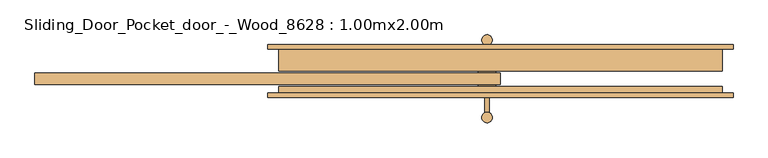
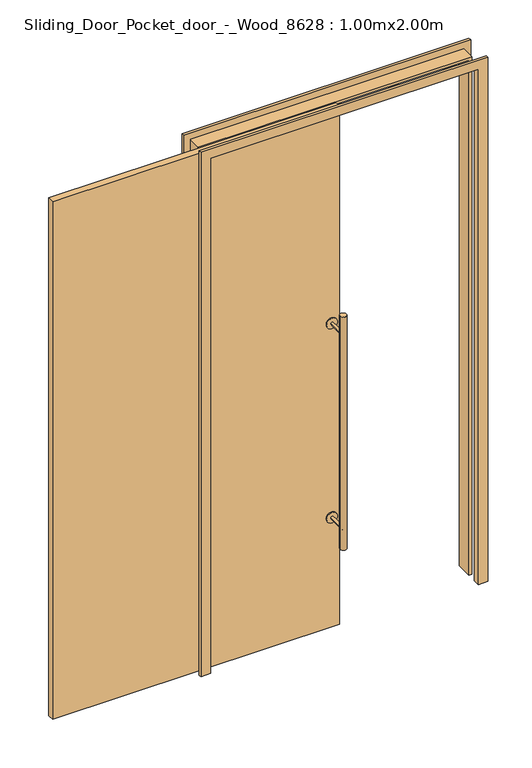
"""IFC4 building model written with IfcOpenShell, lengths in millimetres: door geometry, Sliding_Door_Pocket_door_-_Wood_8628 : 1.00mx2.00m."""

from ifc_helpers import new_model, si_unit, point, frame, frame_2d, origin, origin_with_axes, place, context, project, spatial, polyline, circle_curve, trimmed, segment, composite_curve, outline, extrude, faceted_brep, source, transform, mapped, element, save


def sliding_door_pocket_door_wood_8628_1_00mx2_00m_de56212b(model_context):
    return source(origin(), model_context, "Body", "SolidModel", [
        extrude(outline(composite_curve([segment(trimmed(circle_curve(frame_2d((-50.0, 84.2718247)), 12.0), [point((-62.0, 84.2718247))], [point((-38.0, 84.2718247))], False, "CARTESIAN"), True, "CONTINUOUS"), segment(trimmed(circle_curve(frame_2d((-50.0, 84.2718247)), 12.0), [point((-38.0, 84.2718247))], [point((-62.0, 84.2718247))], False, "CARTESIAN"), True, "CONTINUOUS")], self_intersect=False)), frame((0.0, 0.0, 350.0), z_axis=(0.0, 0.0, 1.0), x_axis=(1.0, 0.0, 0.0)), (0.0, 0.0, 1.0), 900.0),
        extrude(outline(composite_curve([segment(trimmed(circle_curve(frame_2d((1175.0, -50.0)), 5.0), [point((1175.0, -45.0))], [point((1175.0, -55.0))], False, "CARTESIAN"), True, "CONTINUOUS"), segment(trimmed(circle_curve(frame_2d((1175.0, -50.0)), 5.0), [point((1175.0, -55.0))], [point((1175.0, -45.0))], False, "CARTESIAN"), True, "CONTINUOUS")], self_intersect=False)), frame((0.0, 13.2718247, 0.0), z_axis=(0.0, 1.0, 0.0), x_axis=(0.0, 0.0, 1.0)), (0.0, 0.0, 1.0), 71.0),
        extrude(outline(composite_curve([segment(trimmed(circle_curve(frame_2d((425.0, -50.0)), 5.0), [point((425.0, -45.0))], [point((425.0, -55.0))], False, "CARTESIAN"), True, "CONTINUOUS"), segment(trimmed(circle_curve(frame_2d((425.0, -50.0)), 5.0), [point((425.0, -55.0))], [point((425.0, -45.0))], False, "CARTESIAN"), True, "CONTINUOUS")], self_intersect=False)), frame((0.0, 13.2718247, 0.0), z_axis=(0.0, 1.0, 0.0), x_axis=(0.0, 0.0, 1.0)), (0.0, 0.0, 1.0), 71.0),
        extrude(outline(composite_curve([segment(trimmed(circle_curve(frame_2d((1175.0, -50.0)), 20.0), [point((1175.0, -70.0))], [point((1175.0, -30.0))], False, "CARTESIAN"), True, "CONTINUOUS"), segment(trimmed(circle_curve(frame_2d((1175.0, -50.0)), 20.0), [point((1175.0, -30.0))], [point((1175.0, -70.0))], False, "CARTESIAN"), True, "CONTINUOUS")], self_intersect=False)), frame((0.0, 9.2718247, 0.0), z_axis=(0.0, 1.0, 0.0), x_axis=(0.0, 0.0, 1.0)), (0.0, 0.0, 1.0), 4.0),
        extrude(outline(composite_curve([segment(trimmed(circle_curve(frame_2d((425.0, -50.0)), 20.0), [point((425.0, -70.0))], [point((425.0, -30.0))], False, "CARTESIAN"), True, "CONTINUOUS"), segment(trimmed(circle_curve(frame_2d((425.0, -50.0)), 20.0), [point((425.0, -30.0))], [point((425.0, -70.0))], False, "CARTESIAN"), True, "CONTINUOUS")], self_intersect=False)), frame((0.0, 9.2718247, 0.0), z_axis=(0.0, 1.0, 0.0), x_axis=(0.0, 0.0, 1.0)), (0.0, 0.0, 1.0), 4.0),
        extrude(outline(composite_curve([segment(trimmed(circle_curve(frame_2d((-50.0, -90.7281753)), 12.0), [point((-62.0, -90.7281753))], [point((-38.0, -90.7281753))], False, "CARTESIAN"), True, "CONTINUOUS"), segment(trimmed(circle_curve(frame_2d((-50.0, -90.7281753)), 12.0), [point((-38.0, -90.7281753))], [point((-62.0, -90.7281753))], False, "CARTESIAN"), True, "CONTINUOUS")], self_intersect=False)), frame((0.0, 0.0, 350.0), z_axis=(0.0, 0.0, 1.0), x_axis=(1.0, 0.0, 0.0)), (0.0, 0.0, 1.0), 900.0),
        extrude(outline(composite_curve([segment(trimmed(circle_curve(frame_2d((1175.0, -50.0)), 5.0), [point((1175.0, -45.0))], [point((1175.0, -55.0))], False, "CARTESIAN"), True, "CONTINUOUS"), segment(trimmed(circle_curve(frame_2d((1175.0, -50.0)), 5.0), [point((1175.0, -55.0))], [point((1175.0, -45.0))], False, "CARTESIAN"), True, "CONTINUOUS")], self_intersect=False)), frame((0.0, -90.7281753, 0.0), z_axis=(0.0, 1.0, 0.0), x_axis=(0.0, 0.0, 1.0)), (0.0, 0.0, 1.0), 71.0),
        extrude(outline(composite_curve([segment(trimmed(circle_curve(frame_2d((425.0, -50.0)), 5.0), [point((425.0, -45.0))], [point((425.0, -55.0))], False, "CARTESIAN"), True, "CONTINUOUS"), segment(trimmed(circle_curve(frame_2d((425.0, -50.0)), 5.0), [point((425.0, -55.0))], [point((425.0, -45.0))], False, "CARTESIAN"), True, "CONTINUOUS")], self_intersect=False)), frame((0.0, -90.7281753, 0.0), z_axis=(0.0, 1.0, 0.0), x_axis=(0.0, 0.0, 1.0)), (0.0, 0.0, 1.0), 71.0),
        extrude(outline(composite_curve([segment(trimmed(circle_curve(frame_2d((1175.0, -50.0)), 20.0), [point((1175.0, -70.0))], [point((1175.0, -30.0))], False, "CARTESIAN"), True, "CONTINUOUS"), segment(trimmed(circle_curve(frame_2d((1175.0, -50.0)), 20.0), [point((1175.0, -30.0))], [point((1175.0, -70.0))], False, "CARTESIAN"), True, "CONTINUOUS")], self_intersect=False)), frame((0.0, -19.7281753, 0.0), z_axis=(0.0, 1.0, 0.0), x_axis=(0.0, 0.0, 1.0)), (0.0, 0.0, 1.0), 4.0),
        extrude(outline(composite_curve([segment(trimmed(circle_curve(frame_2d((425.0, -50.0)), 20.0), [point((425.0, -70.0))], [point((425.0, -30.0))], False, "CARTESIAN"), True, "CONTINUOUS"), segment(trimmed(circle_curve(frame_2d((425.0, -50.0)), 20.0), [point((425.0, -30.0))], [point((425.0, -70.0))], False, "CARTESIAN"), True, "CONTINUOUS")], self_intersect=False)), frame((0.0, -19.7281753, 0.0), z_axis=(0.0, 1.0, 0.0), x_axis=(0.0, 0.0, 1.0)), (0.0, 0.0, 1.0), 4.0),
        extrude(outline(polyline([(-20.0, 9.2718247), (-20.0, -15.7281753), (-1070.0, -15.7281753), (-1070.0, 9.2718247), (-20.0, 9.2718247)])), origin_with_axes(), (0.0, 0.0, 1.0), 2000.0),
        faceted_brep([(480.0, 14.2718247, 0.0), (470.0, 14.2718247, 0.0), (470.0, 74.2718247, 0.0), (505.0, 74.2718247, 0.0), (505.0, 64.2718247, 0.0), (480.0, 64.2718247, 0.0), (480.0, 14.2718247, 2000.0), (-520.0, 14.2718247, 2000.0), (-520.0, 14.2718247, 0.0), (-510.0, 14.2718247, 0.0), (-510.0, 14.2718247, 1990.0), (470.0, 14.2718247, 1990.0), (470.0, 74.2718247, 1990.0), (-510.0, 74.2718247, 1990.0), (-510.0, 74.2718247, 0.0), (-545.0, 74.2718247, 0.0), (-545.0, 74.2718247, 2025.0), (505.0, 74.2718247, 2025.0), (505.0, 64.2718247, 2025.0), (-545.0, 64.2718247, 2025.0), (-545.0, 64.2718247, 0.0), (-520.0, 64.2718247, 0.0), (-520.0, 64.2718247, 2000.0), (480.0, 64.2718247, 2000.0)], [[[0, 1, 2, 3, 4, 5]], [[1, 0, 6, 7, 8, 9, 10, 11]], [[2, 1, 11, 12]], [[3, 2, 12, 13, 14, 15, 16, 17]], [[4, 3, 17, 18]], [[5, 4, 18, 19, 20, 21, 22, 23]], [[0, 5, 23, 6]], [[7, 22, 21, 8]], [[8, 21, 20, 15, 14, 9]], [[13, 10, 9, 14]], [[19, 16, 15, 20]], [[6, 23, 22, 7]], [[12, 11, 10, 13]], [[18, 17, 16, 19]]]),
        faceted_brep([(480.0, -20.7281753, 0.0), (480.0, -35.7281753, 0.0), (505.0, -35.7281753, 0.0), (505.0, -45.7281753, 0.0), (470.0, -45.7281753, 0.0), (470.0, -20.7281753, 0.0), (480.0, -20.7281753, 2000.0), (480.0, -35.7281753, 2000.0), (-520.0, -35.7281753, 2000.0), (-520.0, -35.7281753, 0.0), (-545.0, -35.7281753, 0.0), (-545.0, -35.7281753, 2025.0), (505.0, -35.7281753, 2025.0), (505.0, -45.7281753, 2025.0), (-545.0, -45.7281753, 2025.0), (-545.0, -45.7281753, 0.0), (-510.0, -45.7281753, 0.0), (-510.0, -45.7281753, 1990.0), (470.0, -45.7281753, 1990.0), (470.0, -20.7281753, 1990.0), (-510.0, -20.7281753, 1990.0), (-510.0, -20.7281753, 0.0), (-520.0, -20.7281753, 0.0), (-520.0, -20.7281753, 2000.0)], [[[0, 1, 2, 3, 4, 5]], [[1, 0, 6, 7]], [[2, 1, 7, 8, 9, 10, 11, 12]], [[3, 2, 12, 13]], [[4, 3, 13, 14, 15, 16, 17, 18]], [[5, 4, 18, 19]], [[0, 5, 19, 20, 21, 22, 23, 6]], [[22, 21, 16, 15, 10, 9]], [[20, 17, 16, 21]], [[8, 23, 22, 9]], [[14, 11, 10, 15]], [[7, 6, 23, 8]], [[19, 18, 17, 20]], [[13, 12, 11, 14]]]),
    ])


if __name__ == "__main__":
    model = new_model("IFC4")
    model_context = context("Model", 3, world=origin())
    ifc_project = project(units=[si_unit("LENGTHUNIT", "METRE", prefix="MILLI")], contexts=[model_context])
    site = spatial("IfcSite", under=ifc_project)
    building = spatial("IfcBuilding", under=site)
    placement = place(None, origin())
    sliding_door_pocket_door_wood_8628_1_00mx2_00m_shape = sliding_door_pocket_door_wood_8628_1_00mx2_00m_de56212b(model_context)
    element("IfcDoor", 1, ObjectType="Sliding_Door_Pocket_door_-_Wood_8628 : 1.00mx2.00m", at=placement, inside=building, context=model_context, shape_type="MappedRepresentation", body=[
        mapped(sliding_door_pocket_door_wood_8628_1_00mx2_00m_shape, transform((0.0, 0.0, 0.0), x_axis=(1.0, 0.0, 0.0), y_axis=(0.0, 1.0, 0.0), z_axis=(0.0, 0.0, 1.0))),
    ])
    save(model, "model.ifc")
